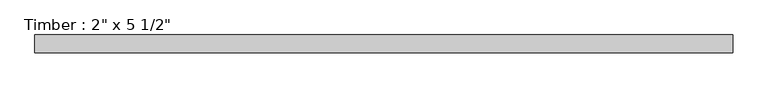
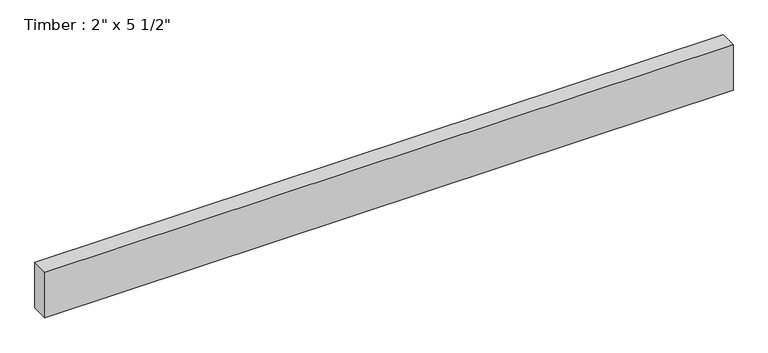
"""IFC4 building model written with IfcOpenShell, lengths in millimetres: beam geometry."""

from ifc_helpers import new_model, si_unit, frame, origin, place, context, project, spatial, polyline, outline, extrude, source, transform, mapped, element, save


def beam_749a2702(model_context):
    return source(origin(), model_context, "Body", "SweptSolid", [
        extrude(outline(polyline([(1002.856957, 25.4), (1002.856957, -25.4), (-1002.8569564, -25.4), (-1002.8569564, 25.4), (1002.856957, 25.4)])), frame((0.0, 0.0, -69.85), z_axis=(0.0, 0.0, 1.0), x_axis=(1.0, 0.0, 0.0)), (0.0, 0.0, 1.0), 139.7),
    ])


if __name__ == "__main__":
    model = new_model("IFC4")
    model_context = context("Model", 3, world=origin())
    ifc_project = project(units=[si_unit("LENGTHUNIT", "METRE", prefix="MILLI")], contexts=[model_context])
    site = spatial("IfcSite", under=ifc_project)
    building = spatial("IfcBuilding", under=site)
    placement = place(None, origin())
    beam_shape = beam_749a2702(model_context)
    element("IfcBeam", 1, ObjectType="Timber : 2\" x 5 1/2\"", at=placement, inside=building, context=model_context, shape_type="MappedRepresentation", body=[
        mapped(beam_shape, transform((0.0, 0.0, 0.0), x_axis=(1.0, 0.0, 0.0), y_axis=(0.0, 1.0, 0.0), z_axis=(0.0, 0.0, 1.0))),
    ])
    save(model, "model.ifc")
